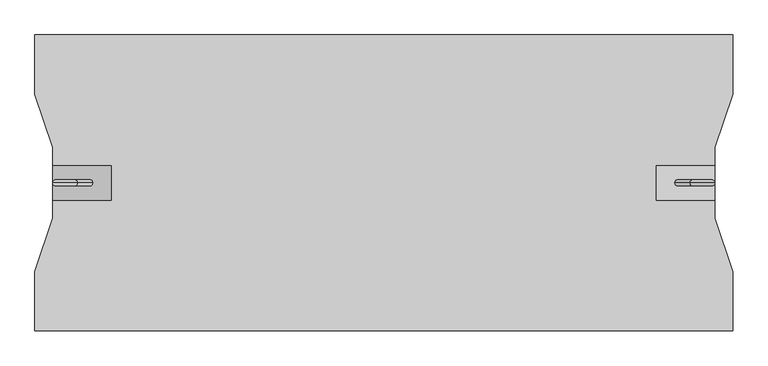
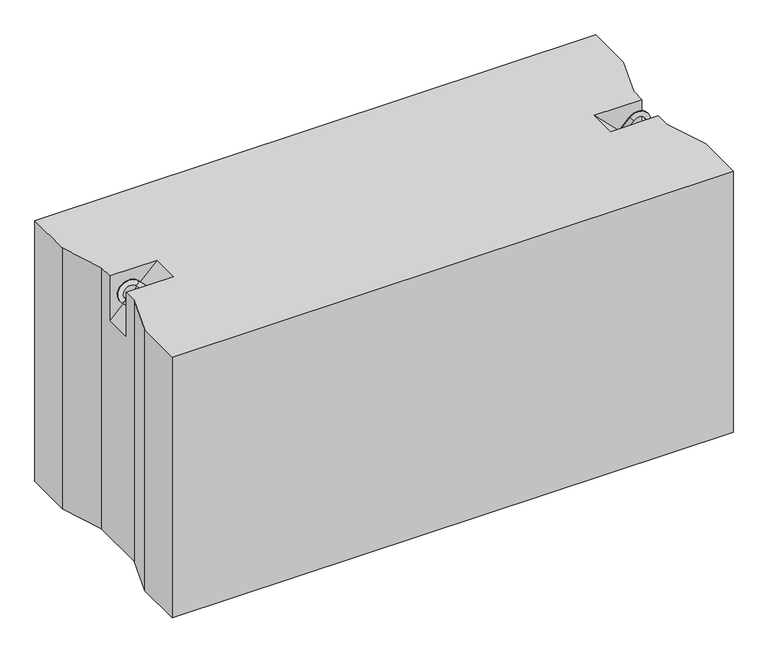
"""IFC4 building model written with IfcOpenShell, lengths in millimetres: proxy geometry."""

from ifc_helpers import new_model, si_unit, point, frame, origin, place, context, project, spatial, circle_curve, ellipse_curve, trimmed, faceted_brep, source, transform, mapped, element, save
from ifc_brep_helpers import plane_surface, cylinder_surface, revolved_surface, advanced_brep


def generic_models_0d8f4ee9(model_context):
    return source(origin(), model_context, "Body", "SolidModel", [
        advanced_brep(
        [(1082.3223305, 0.0, 547.6776695), (1089.3933983, 0.0, 540.6066017), (1114.3933983, 0.0, 565.6066017), (1107.3223305, 0.0, 572.6776695), (1135.6066017, 0.0, 544.3933983), (1142.6776695, 0.0, 537.3223305), (1117.6776695, 0.0, 512.3223305), (1110.6066017, 0.0, 519.3933983)],
        [
            (0, 1, circle_curve(frame((1085.8578644, 0.0, 544.1421356), z_axis=(-0.7071067811865482, 0.0, -0.7071067811865468), x_axis=(0.7071067811865468, 0.0, -0.7071067811865482)), 5.0)),
            (1, 0, circle_curve(frame((1085.8578644, 0.0, 544.1421356), z_axis=(-0.7071067811865482, 0.0, -0.7071067811865468), x_axis=(0.7071067811865468, 0.0, -0.7071067811865482)), 5.0)),
            (1, 2),
            (2, 3, circle_curve(frame((1110.8578644, 0.0, 569.1421356), z_axis=(-0.7071067811865482, 0.0, -0.7071067811865468), x_axis=(0.7071067811865468, 0.0, -0.7071067811865482)), 5.0)),
            (3, 0),
            (3, 2, circle_curve(frame((1110.8578644, 0.0, 569.1421356), z_axis=(-0.7071067811865482, 0.0, -0.7071067811865468), x_axis=(0.7071067811865468, 0.0, -0.7071067811865482)), 5.0)),
            (4, 5, circle_curve(frame((1139.1421356, 0.0, 540.8578644), z_axis=(0.7071067811865457, 0.0, 0.7071067811865493), x_axis=(-0.7071067811865493, 0.0, 0.7071067811865457)), 5.0)),
            (5, 3, circle_curve(frame((1125.0, 0.0, 555.0), z_axis=(0.0, -1.0, 0.0), x_axis=(-0.7071067811865468, 0.0, 0.7071067811865482)), 25.0)),
            (2, 4, circle_curve(frame((1125.0, 0.0, 555.0), z_axis=(0.0, 1.0, 0.0), x_axis=(-0.7071067811865468, 0.0, 0.7071067811865482)), 15.0)),
            (5, 4, circle_curve(frame((1139.1421356, 0.0, 540.8578644), z_axis=(0.7071067811865459, 0.0, 0.7071067811865491), x_axis=(-0.7071067811865491, 0.0, 0.7071067811865459)), 5.0)),
            (6, 7, circle_curve(frame((1114.1421356, 0.0, 515.8578644), z_axis=(-0.7071067811865505, 0.0, -0.7071067811865446), x_axis=(-0.7071067811865446, 0.0, 0.7071067811865505)), 5.0)),
            (7, 6, circle_curve(frame((1114.1421356, 0.0, 515.8578644), z_axis=(-0.7071067811865505, 0.0, -0.7071067811865446), x_axis=(-0.7071067811865446, 0.0, 0.7071067811865505)), 5.0)),
            (4, 7),
            (6, 5),
        ],
        [
            plane_surface(frame((1082.3223305, 0.0, 547.6776695), z_axis=(-0.7071067811865482, 0.0, -0.7071067811865468), x_axis=(0.0, -1.0, 0.0))),
            cylinder_surface(frame((1085.8578644, 0.0, 544.1421356), z_axis=(-0.7071067811865482, 0.0, -0.7071067811865468), x_axis=(0.7071067811865468, 0.0, -0.7071067811865482)), 5.0),
            revolved_surface(trimmed(ellipse_curve(frame((1110.8578644, 0.0, 569.1421356), z_axis=(0.7071067811865482, 0.0, 0.7071067811865468), x_axis=(0.7071067811865468, 0.0, -0.7071067811865482)), 5.0, 5.0), [point((1107.3223305, 0.0, 572.6776695))], [point((1114.3933983, 0.0, 565.6066017))], True, "CARTESIAN"), (1125.0, 0.0, 555.0), (0.0, -1.0, 0.0)),
            revolved_surface(trimmed(ellipse_curve(frame((1110.8578644, 0.0, 569.1421356), z_axis=(0.7071067811865482, 0.0, 0.7071067811865468), x_axis=(0.7071067811865468, 0.0, -0.7071067811865482)), 5.0, 5.0), [point((1114.3933983, 0.0, 565.6066017))], [point((1107.3223305, 0.0, 572.6776695))], True, "CARTESIAN"), (1125.0, 0.0, 555.0), (0.0, -1.0, 0.0)),
            plane_surface(frame((1117.6776695, 0.0, 512.3223305), z_axis=(-0.7071067811865505, 0.0, -0.7071067811865446), x_axis=(0.0, -1.0, 0.0))),
            cylinder_surface(frame((1139.1421356, 0.0, 540.8578644), z_axis=(0.7071067811865505, 0.0, 0.7071067811865446), x_axis=(-0.7071067811865446, 0.0, 0.7071067811865505)), 5.0),
        ],
        [
            (0, [[1, 2]]),
            (1, [[3, 4, 5, -2]]),
            (1, [[-5, 6, -3, -1]]),
            (2, [[7, 8, -4, 9]]),
            (3, [[10, -9, -6, -8]]),
            (4, [[11, 12]]),
            (5, [[13, -11, 14, -7]]),
            (5, [[-14, -12, -13, -10]]),
        ],
    ),
        advanced_brep(
        [(97.6776695, 0.0, 547.6776695), (90.6066017, 0.0, 540.6066017), (72.6776695, 0.0, 572.6776695), (65.6066017, 0.0, 565.6066017), (44.3933983, 0.0, 544.3933983), (37.3223305, 0.0, 537.3223305), (62.3223305, 0.0, 512.3223305), (69.3933983, 0.0, 519.3933983)],
        [
            (0, 1, circle_curve(frame((94.1421356, 0.0, 544.1421356), z_axis=(0.707106781186546, 0.0, -0.707106781186549), x_axis=(-0.707106781186549, 0.0, -0.707106781186546)), 5.0)),
            (1, 0, circle_curve(frame((94.1421356, 0.0, 544.1421356), z_axis=(0.707106781186546, 0.0, -0.707106781186549), x_axis=(-0.707106781186549, 0.0, -0.707106781186546)), 5.0)),
            (0, 2),
            (2, 3, circle_curve(frame((69.1421356, 0.0, 569.1421356), z_axis=(0.707106781186546, 0.0, -0.707106781186549), x_axis=(-0.707106781186549, 0.0, -0.707106781186546)), 5.0)),
            (3, 1),
            (3, 2, circle_curve(frame((69.1421356, 0.0, 569.1421356), z_axis=(0.707106781186546, 0.0, -0.707106781186549), x_axis=(-0.707106781186549, 0.0, -0.707106781186546)), 5.0)),
            (4, 3, circle_curve(frame((55.0, 0.0, 555.0), z_axis=(0.0, 1.0, 0.0), x_axis=(0.707106781186549, 0.0, 0.707106781186546)), 15.0)),
            (2, 5, circle_curve(frame((55.0, 0.0, 555.0), z_axis=(0.0, -1.0, 0.0), x_axis=(0.707106781186549, 0.0, 0.707106781186546)), 25.0)),
            (5, 4, circle_curve(frame((40.8578644, 0.0, 540.8578644), z_axis=(-0.7071067811865437, 0.0, 0.7071067811865513), x_axis=(0.7071067811865513, 0.0, 0.7071067811865437)), 5.0)),
            (4, 5, circle_curve(frame((40.8578644, 0.0, 540.8578644), z_axis=(-0.7071067811865437, 0.0, 0.7071067811865513), x_axis=(0.7071067811865513, 0.0, 0.7071067811865437)), 5.0)),
            (6, 7, circle_curve(frame((65.8578644, 0.0, 515.8578644), z_axis=(0.7071067811865482, 0.0, -0.7071067811865468), x_axis=(0.7071067811865468, 0.0, 0.7071067811865482)), 5.0)),
            (7, 6, circle_curve(frame((65.8578644, 0.0, 515.8578644), z_axis=(0.7071067811865482, 0.0, -0.7071067811865468), x_axis=(0.7071067811865468, 0.0, 0.7071067811865482)), 5.0)),
            (5, 6),
            (7, 4),
        ],
        [
            plane_surface(frame((97.6776695, 0.0, 547.6776695), z_axis=(0.707106781186546, 0.0, -0.707106781186549), x_axis=(0.0, -1.0, 0.0))),
            cylinder_surface(frame((94.1421356, 0.0, 544.1421356), z_axis=(0.707106781186546, 0.0, -0.707106781186549), x_axis=(-0.707106781186549, 0.0, -0.707106781186546)), 5.0),
            revolved_surface(trimmed(ellipse_curve(frame((69.1421356, 0.0, 569.1421356), z_axis=(0.707106781186546, 0.0, -0.707106781186549), x_axis=(-0.707106781186549, 0.0, -0.707106781186546)), 5.0, 5.0), [point((72.6776695, 0.0, 572.6776695))], [point((65.6066017, 0.0, 565.6066017))], True, "CARTESIAN"), (55.0, 0.0, 555.0), (0.0, -1.0, 0.0)),
            revolved_surface(trimmed(ellipse_curve(frame((69.1421356, 0.0, 569.1421356), z_axis=(0.707106781186546, 0.0, -0.707106781186549), x_axis=(-0.707106781186549, 0.0, -0.707106781186546)), 5.0, 5.0), [point((65.6066017, 0.0, 565.6066017))], [point((72.6776695, 0.0, 572.6776695))], True, "CARTESIAN"), (55.0, 0.0, 555.0), (0.0, -1.0, 0.0)),
            plane_surface(frame((62.3223305, 0.0, 512.3223305), z_axis=(0.7071067811865482, 0.0, -0.7071067811865468), x_axis=(0.0, -1.0, 0.0))),
            cylinder_surface(frame((40.8578644, 0.0, 540.8578644), z_axis=(-0.7071067811865482, 0.0, 0.7071067811865468), x_axis=(0.7071067811865468, 0.0, 0.7071067811865482)), 5.0),
        ],
        [
            (0, [[1, 2]]),
            (1, [[-1, 3, 4, 5]]),
            (1, [[-2, -5, 6, -3]]),
            (2, [[7, -4, 8, 9]]),
            (3, [[-8, -6, -7, 10]]),
            (4, [[11, 12]]),
            (5, [[-9, 13, -12, 14]]),
            (5, [[-10, -14, -11, -13]]),
        ],
    ),
        faceted_brep([(1180.0, 250.0, 580.0), (0.0, 250.0, 580.0), (0.0, 150.0, 580.0), (30.0, 60.0, 580.0), (30.0, 30.0, 580.0), (130.0, 30.0, 580.0), (130.0, -30.0, 580.0), (30.0, -30.0, 580.0), (30.0, -60.0, 580.0), (0.0, -150.0, 580.0), (0.0, -250.0, 580.0), (1180.0, -250.0, 580.0), (1180.0, -150.0, 580.0), (1150.0, -60.0, 580.0), (1150.0, -30.0, 580.0), (1050.0, -30.0, 580.0), (1050.0, 30.0, 580.0), (1150.0, 30.0, 580.0), (1150.0, 60.0, 580.0), (1180.0, 150.0, 580.0), (1180.0, 250.0, 0.0), (1180.0, 150.0, 0.0), (1150.0, 60.0, 0.0), (1150.0, -60.0, 0.0), (1180.0, -150.0, 0.0), (1180.0, -250.0, 0.0), (0.0, -250.0, 0.0), (0.0, -150.0, 0.0), (30.0, -60.0, 0.0), (30.0, 60.0, 0.0), (0.0, 150.0, 0.0), (0.0, 250.0, 0.0), (30.0, -30.0, 480.0), (30.0, 30.0, 480.0), (1150.0, 30.0, 480.0), (1150.0, -30.0, 480.0)], [[[0, 1, 2, 3, 4, 5, 6, 7, 8, 9, 10, 11, 12, 13, 14, 15, 16, 17, 18, 19]], [[20, 21, 22, 23, 24, 25, 26, 27, 28, 29, 30, 31]], [[1, 0, 20, 31]], [[10, 9, 27, 26]], [[11, 10, 26, 25]], [[0, 19, 21, 20]], [[2, 1, 31, 30]], [[3, 2, 30, 29]], [[29, 28, 8, 7, 32, 33, 4, 3]], [[9, 8, 28, 27]], [[12, 11, 25, 24]], [[13, 12, 24, 23]], [[23, 22, 18, 17, 34, 35, 14, 13]], [[19, 18, 22, 21]], [[6, 32, 7]], [[35, 15, 14]], [[33, 5, 4]], [[16, 34, 17]], [[32, 6, 5, 33]], [[15, 35, 34, 16]]]),
    ])


if __name__ == "__main__":
    model = new_model("IFC4")
    model_context = context("Model", 3, world=origin())
    ifc_project = project(units=[si_unit("LENGTHUNIT", "METRE", prefix="MILLI")], contexts=[model_context])
    site = spatial("IfcSite", under=ifc_project)
    building = spatial("IfcBuilding", under=site)
    placement = place(None, origin())
    generic_models_shape = generic_models_0d8f4ee9(model_context)
    element("IfcBuildingElementProxy", 1, Name="Generic Models", at=placement, inside=building, context=model_context, shape_type="MappedRepresentation", body=[
        mapped(generic_models_shape, transform((0.0, 0.0, 0.0), x_axis=(1.0, 0.0, 0.0), y_axis=(0.0, 1.0, 0.0), z_axis=(0.0, 0.0, 1.0))),
    ])
    save(model, "model.ifc")
